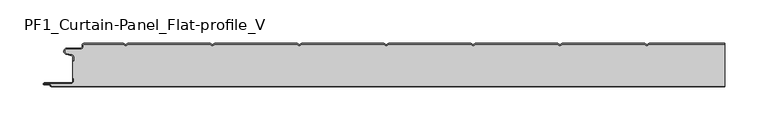
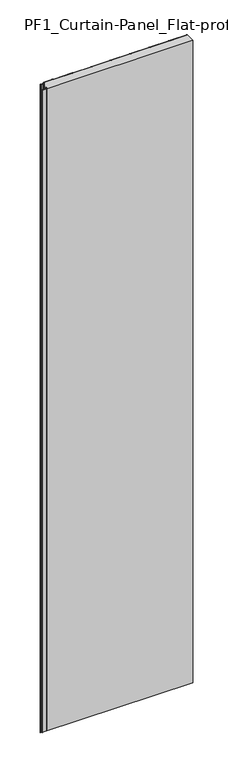
"""IFC4 building model written with IfcOpenShell, lengths in millimetres: plate geometry, PF1_Curtain-Panel_Flat-profile_V."""

from ifc_helpers import new_model, si_unit, point, frame_2d, origin, origin_with_axes, place, context, project, spatial, polyline, circle_curve, trimmed, segment, composite_curve, outline, extrude, source, transform, mapped, element, save


def pf1_curtain_panel_flat_profile_v_94e81d93(model_context):
    return source(origin(), model_context, "Body", "SweptSolid", [
        extrude(outline(composite_curve([segment(trimmed(circle_curve(frame_2d((-377.0119739, -15.878557)), 2.0), [point((-375.0119739, -15.878557))], [point((-376.5620718, -13.9298169))], True, "CARTESIAN"), True, "CONTINUOUS"), segment(polyline([(-376.5620718, -13.9298169), (-382.7217978, -12.507732)]), True, "CONTINUOUS"), segment(trimmed(circle_curve(frame_2d((-381.9119739, -9.0)), 3.6), [point((-382.7217978, -12.507732))], [point((-381.9119739, -5.4))], False, "CARTESIAN"), True, "CONTINUOUS"), segment(polyline([(-381.9119739, -5.4), (-366.4119739, -5.4)]), True, "CONTINUOUS"), segment(trimmed(circle_curve(frame_2d((-366.4119739, -3.4)), 2.0), [point((-366.4119739, -5.4))], [point((-364.4119739, -3.4))], True, "CARTESIAN"), True, "CONTINUOUS"), segment(polyline([(-364.4119739, -3.4), (-364.4119739, -2.0)]), True, "CONTINUOUS"), segment(trimmed(circle_curve(frame_2d((-362.4119739, -2.0)), 2.0), [point((-364.4119739, -2.0))], [point((-362.4119739, 0.0))], False, "CARTESIAN"), True, "CONTINUOUS"), segment(polyline([(-362.4119739, 0.0), (-317.1119734, 0.0), (-314.4119739, -1.5588455), (-311.7119745, 0.0), (-217.1119734, 0.0), (-214.4119739, -1.5588455), (-211.7119745, 0.0), (-117.1119734, 0.0), (-114.4119739, -1.5588455), (-111.7119745, 0.0), (-17.1119734, 0.0), (-14.4119739, -1.5588455), (-11.7119745, 0.0), (82.8880266, 0.0), (85.5880261, -1.5588455), (88.2880255, 0.0), (182.8880266, 0.0), (185.5880261, -1.5588455), (188.2880255, 0.0), (282.8880266, 0.0), (285.5880261, -1.5588455), (288.2880255, 0.0), (375.0119739, 0.0), (375.0119739, -0.8), (288.5023849, -0.8), (285.5880261, -2.482606), (282.6736672, -0.8), (188.5023849, -0.8), (185.5880261, -2.482606), (182.6736672, -0.8), (88.5023849, -0.8), (85.5880261, -2.482606), (82.6736672, -0.8), (-11.4976151, -0.8), (-14.4119739, -2.482606), (-17.3263328, -0.8), (-111.4976151, -0.8), (-114.4119739, -2.482606), (-117.3263328, -0.8), (-211.4976151, -0.8), (-214.4119739, -2.482606), (-217.3263328, -0.8), (-311.4976151, -0.8), (-314.4119739, -2.482606), (-317.3263328, -0.8), (-362.4119739, -0.8)]), True, "CONTINUOUS"), segment(trimmed(circle_curve(frame_2d((-362.4119739, -2.0)), 1.2), [point((-362.4119739, -0.8))], [point((-363.6119739, -2.0))], True, "CARTESIAN"), True, "CONTINUOUS"), segment(polyline([(-363.6119739, -2.0), (-363.6119739, -3.4)]), True, "CONTINUOUS"), segment(trimmed(circle_curve(frame_2d((-366.4119739, -3.4)), 2.8), [point((-363.6119739, -3.4))], [point((-366.4119739, -6.2))], False, "CARTESIAN"), True, "CONTINUOUS"), segment(polyline([(-366.4119739, -6.2), (-381.9119739, -6.2)]), True, "CONTINUOUS"), segment(trimmed(circle_curve(frame_2d((-381.9119739, -9.0)), 2.8), [point((-381.9119739, -6.2))], [point((-382.541837, -11.7282362))], True, "CARTESIAN"), True, "CONTINUOUS"), segment(polyline([(-382.541837, -11.7282362), (-376.3821109, -13.150321)]), True, "CONTINUOUS"), segment(trimmed(circle_curve(frame_2d((-377.0119739, -15.878557)), 2.8), [point((-376.3821109, -13.150321))], [point((-374.2119739, -15.878557))], False, "CARTESIAN"), True, "CONTINUOUS"), segment(polyline([(-374.2119739, -15.878557), (-374.2119739, -20.0), (-375.0119739, -20.0), (-375.0119739, -15.878557)]), True, "CONTINUOUS")], self_intersect=False)), origin_with_axes(), (0.0, 0.0, 1.0), 3500.0),
        extrude(outline(composite_curve([segment(polyline([(-374.2119739, -40.0), (-375.0119739, -40.0), (-375.0119739, -20.0), (-374.2119739, -20.0), (-374.2119739, -15.878557)]), True, "CONTINUOUS"), segment(trimmed(circle_curve(frame_2d((-377.0119739, -15.878557)), 2.8), [point((-374.2119739, -15.878557))], [point((-376.3821109, -13.1503208))], True, "CARTESIAN"), True, "CONTINUOUS"), segment(polyline([(-376.3821109, -13.1503208), (-382.5418369, -11.7282362)]), True, "CONTINUOUS"), segment(trimmed(circle_curve(frame_2d((-381.9119739, -9.0)), 2.8), [point((-382.5418369, -11.7282362))], [point((-381.9119739, -6.2))], False, "CARTESIAN"), True, "CONTINUOUS"), segment(polyline([(-381.9119739, -6.2), (-366.4119739, -6.2)]), True, "CONTINUOUS"), segment(trimmed(circle_curve(frame_2d((-366.4119739, -3.4)), 2.8), [point((-366.4119739, -6.2))], [point((-363.6119739, -3.4))], True, "CARTESIAN"), True, "CONTINUOUS"), segment(polyline([(-363.6119739, -3.4), (-363.6119739, -2.0)]), True, "CONTINUOUS"), segment(trimmed(circle_curve(frame_2d((-362.4119739, -2.0)), 1.2), [point((-363.6119739, -2.0))], [point((-362.4119739, -0.8))], False, "CARTESIAN"), True, "CONTINUOUS"), segment(polyline([(-362.4119739, -0.8), (-317.3263328, -0.8), (-314.4119739, -2.482606), (-311.4976151, -0.8), (-217.3263328, -0.8), (-214.4119739, -2.482606), (-211.4976151, -0.8), (-117.3263328, -0.8), (-114.4119739, -2.482606), (-111.4976151, -0.8), (-17.3263328, -0.8), (-14.4119739, -2.482606), (-11.4976151, -0.8), (82.6736672, -0.8), (85.5880261, -2.482606), (88.5023849, -0.8), (182.6736672, -0.8), (185.5880261, -2.482606), (188.5023849, -0.8), (282.6736672, -0.8), (285.5880261, -2.482606), (288.5023849, -0.8), (375.0119739, -0.8), (375.0119739, -49.2), (-399.4119739, -49.2)]), True, "CONTINUOUS"), segment(trimmed(circle_curve(frame_2d((-399.4119739, -48.4)), 0.8), [point((-399.4119739, -49.2))], [point((-400.2119739, -48.4))], False, "CARTESIAN"), True, "CONTINUOUS"), segment(trimmed(circle_curve(frame_2d((-401.9119739, -48.6133333)), 1.7133333), [point((-400.2119739, -48.4))], [point((-401.9119739, -46.9))], True, "CARTESIAN"), True, "CONTINUOUS"), segment(polyline([(-401.9119739, -46.9), (-407.8820051, -46.9)]), True, "CONTINUOUS"), segment(trimmed(circle_curve(frame_2d((-407.8820051, -46.6)), 0.3), [point((-407.8820051, -46.9))], [point((-407.8820051, -46.3))], False, "CARTESIAN"), True, "CONTINUOUS"), segment(polyline([(-407.8820051, -46.3), (-377.0119739, -46.3)]), True, "CONTINUOUS"), segment(trimmed(circle_curve(frame_2d((-377.0119739, -43.5)), 2.8), [point((-377.0119739, -46.3))], [point((-374.2119739, -43.5))], True, "CARTESIAN"), True, "CONTINUOUS"), segment(polyline([(-374.2119739, -43.5), (-374.2119739, -40.0)]), True, "CONTINUOUS")], self_intersect=False)), origin_with_axes(), (0.0, 0.0, 1.0), 3500.0),
        extrude(outline(composite_curve([segment(polyline([(-375.0119739, -40.0), (-374.2119739, -40.0), (-374.2119739, -43.5)]), True, "CONTINUOUS"), segment(trimmed(circle_curve(frame_2d((-377.0119739, -43.5)), 2.8), [point((-374.2119739, -43.5))], [point((-377.0119739, -46.3))], False, "CARTESIAN"), True, "CONTINUOUS"), segment(polyline([(-377.0119739, -46.3), (-407.8820051, -46.3)]), True, "CONTINUOUS"), segment(trimmed(circle_curve(frame_2d((-407.8820051, -46.6)), 0.3), [point((-407.8820051, -46.3))], [point((-407.8820051, -46.9))], True, "CARTESIAN"), True, "CONTINUOUS"), segment(polyline([(-407.8820051, -46.9), (-401.9119739, -46.9)]), True, "CONTINUOUS"), segment(trimmed(circle_curve(frame_2d((-401.9119739, -48.6133333)), 1.7133333), [point((-401.9119739, -46.9))], [point((-400.2119739, -48.4))], False, "CARTESIAN"), True, "CONTINUOUS"), segment(trimmed(circle_curve(frame_2d((-399.4119739, -48.4)), 0.8), [point((-400.2119739, -48.4))], [point((-399.4119739, -49.2))], True, "CARTESIAN"), True, "CONTINUOUS"), segment(polyline([(-399.4119739, -49.2), (375.0119739, -49.2), (375.0119739, -50.0), (-399.4119739, -50.0)]), True, "CONTINUOUS"), segment(trimmed(circle_curve(frame_2d((-399.4119739, -48.4)), 1.6), [point((-399.4119739, -50.0))], [point((-401.0119739, -48.4))], False, "CARTESIAN"), True, "CONTINUOUS"), segment(trimmed(circle_curve(frame_2d((-401.9119739, -48.4)), 0.9), [point((-401.0119739, -48.4))], [point((-401.9119739, -47.5))], True, "CARTESIAN"), True, "CONTINUOUS"), segment(polyline([(-401.9119739, -47.5), (-408.0119739, -47.5)]), True, "CONTINUOUS"), segment(trimmed(circle_curve(frame_2d((-408.0119739, -46.5)), 1.0), [point((-408.0119739, -47.5))], [point((-408.0119739, -45.5))], False, "CARTESIAN"), True, "CONTINUOUS"), segment(polyline([(-408.0119739, -45.5), (-377.0119739, -45.5)]), True, "CONTINUOUS"), segment(trimmed(circle_curve(frame_2d((-377.0119739, -43.5)), 2.0), [point((-377.0119739, -45.5))], [point((-375.0119739, -43.5))], True, "CARTESIAN"), True, "CONTINUOUS"), segment(polyline([(-375.0119739, -43.5), (-375.0119739, -40.0)]), True, "CONTINUOUS")], self_intersect=False)), origin_with_axes(), (0.0, 0.0, 1.0), 3500.0),
    ])


if __name__ == "__main__":
    model = new_model("IFC4")
    model_context = context("Model", 3, world=origin())
    ifc_project = project(units=[si_unit("LENGTHUNIT", "METRE", prefix="MILLI")], contexts=[model_context])
    site = spatial("IfcSite", under=ifc_project)
    building = spatial("IfcBuilding", under=site)
    placement = place(None, origin())
    pf1_curtain_panel_flat_profile_v_shape = pf1_curtain_panel_flat_profile_v_94e81d93(model_context)
    element("IfcPlate", 1, ObjectType="PF1_Curtain-Panel_Flat-profile_V", at=placement, inside=building, context=model_context, shape_type="MappedRepresentation", body=[
        mapped(pf1_curtain_panel_flat_profile_v_shape, transform((0.0, 0.0, 0.0), x_axis=(1.0, 0.0, 0.0), y_axis=(0.0, 1.0, 0.0), z_axis=(0.0, 0.0, 1.0))),
    ])
    save(model, "model.ifc")
